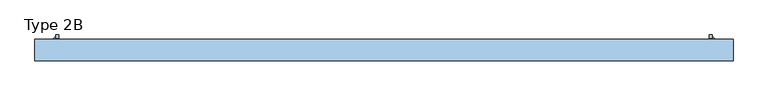
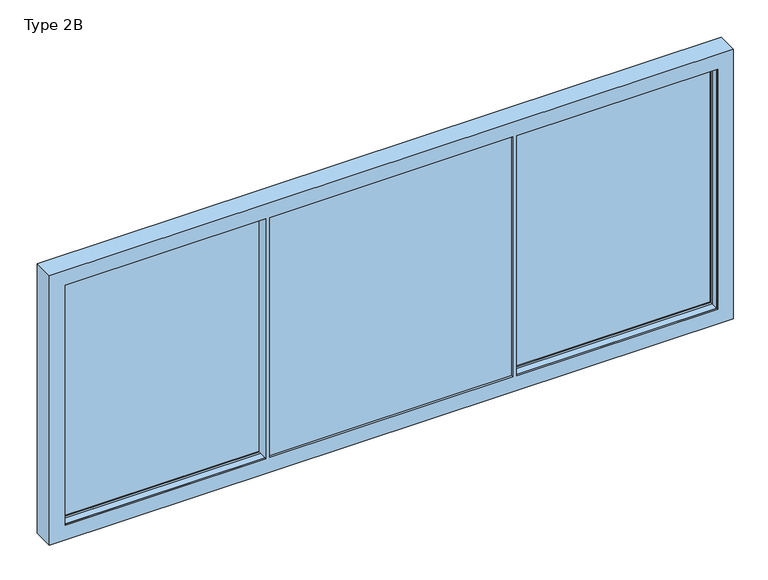
"""IFC4 building model written with IfcOpenShell, lengths in millimetres: window geometry, Type 2B."""

from ifc_helpers import new_model, si_unit, frame, origin, place, context, project, spatial, polyline, outline, extrude, faceted_brep, source, transform, mapped, element, save


def type_2b_bc692007(model_context):
    return source(origin(), model_context, "Body", "SolidModel", [
        extrude(outline(polyline([(-3104.8444246, 93.0001997), (-3104.8444246, 87.0001997), (-3157.4226337, 87.0001997), (-3157.4226337, 93.0001997), (-3104.8444246, 93.0001997)])), frame((0.0, 0.0, 1287.5), z_axis=(0.0, 0.0, 1.0), x_axis=(1.0, 0.0, 0.0)), (0.0, 0.0, 1.0), 25.0),
        extrude(outline(polyline([(-3104.8444246, 93.0001997), (-3104.8444246, 87.0001997), (-3157.4226337, 87.0001997), (-3157.4226337, 93.0001997), (-3104.8444246, 93.0001997)])), frame((0.0, 0.0, 937.5), z_axis=(0.0, 0.0, 1.0), x_axis=(1.0, 0.0, 0.0)), (0.0, 0.0, 1.0), 25.0),
        extrude(outline(polyline([(-3093.5220941, 139.6778692), (-3093.5220941, 122.0001997), (-3075.8444246, 122.0001997), (-3104.8444246, 93.0001997), (-3140.1997637, 93.0001997), (-3093.5220941, 139.6778692)])), frame((0.0, 0.0, 1287.5), z_axis=(0.0, 0.0, 1.0), x_axis=(1.0, 0.0, 0.0)), (0.0, 0.0, 1.0), 25.0),
        extrude(outline(polyline([(-3093.5220941, 139.6778692), (-3093.5220941, 122.0001997), (-3075.8444246, 122.0001997), (-3104.8444246, 93.0001997), (-3140.1997637, 93.0001997), (-3093.5220941, 139.6778692)])), frame((0.0, 0.0, 937.5), z_axis=(0.0, 0.0, 1.0), x_axis=(1.0, 0.0, 0.0)), (0.0, 0.0, 1.0), 25.0),
        extrude(outline(polyline([(-3063.5220941, 122.0001997), (-3093.5220941, 122.0001997), (-3093.5220941, 152.0001997), (-3063.5220941, 152.0001997), (-3063.5220941, 122.0001997)])), frame((0.0, 0.0, 850.0), z_axis=(0.0, 0.0, 1.0), x_axis=(1.0, 0.0, 0.0)), (0.0, 0.0, 1.0), 550.0),
        faceted_brep([(-1186.6666667, 2.5, 0.0), (-1186.6666667, 21.5001997, 0.0), (-1166.8665937, 21.5001997, 0.0), (-1166.8665937, 2.5, 0.0), (-1166.8665937, 110.0, 0.0), (-1166.8665937, 98.5, 0.0), (-1201.6666667, 98.5, 0.0), (-1201.6666667, 110.0, 0.0), (-1186.6666667, 2.5, 2440.0), (-1166.8665937, 2.5, 2440.0), (-1166.8665937, 110.0, 2440.0), (-1166.8665937, 98.5, 2440.0), (-1166.8665937, 98.5, 2455.0), (-1166.8665937, 21.5001997, 2455.0), (-1166.8665937, 21.5001997, 2440.0), (-1166.8665937, 21.5001997, -15.0), (-1166.8665937, 98.5, -15.0), (-1201.6666667, 110.0, 2440.0), (-1201.6666667, 87.0001997, 0.0), (-1201.6666667, 87.0001997, 2440.0), (-1201.6666667, 98.5, 2440.0), (-3140.1997637, 98.5, 0.0), (-3169.9996907, 98.5, -15.0), (-3169.9996907, 98.5, 2455.0), (-3140.1997637, 98.5, 2440.0), (-1186.6666667, 21.5001997, 2440.0), (-3169.9996907, 21.5001997, 2455.0), (-3169.9996907, 21.5001997, -15.0), (-3140.1997637, 21.5001997, 2440.0), (-1201.6666667, 21.5001997, 2440.0), (-1201.6666667, 21.5001997, 0.0), (-3140.1997637, 21.5001997, 0.0), (-3150.9997637, 87.0001997, -10.8), (-1190.8666667, 87.0001997, -10.8), (-1190.8666667, 87.0001997, 2450.8), (-3150.9997637, 87.0001997, 2450.8), (-3140.1997637, 87.0001997, 2440.0), (-3140.1997637, 87.0001997, 0.0), (-3150.9997637, 33.0001997, 2450.8), (-3150.9997637, 33.0001997, -10.8), (-1190.8666667, 33.0001997, -10.8), (-1190.8666667, 33.0001997, 2450.8), (-3140.1997637, 33.0001997, 0.0), (-1201.6666667, 33.0001997, 0.0), (-1201.6666667, 33.0001997, 2440.0), (-3140.1997637, 33.0001997, 2440.0)], [[[0, 1, 2, 3]], [[4, 5, 6, 7]], [[8, 0, 3, 9]], [[10, 11, 12, 13, 14, 9, 3, 2, 15, 16, 5, 4]], [[10, 4, 7, 17]], [[17, 7, 6, 18, 19, 20]], [[21, 6, 5, 16, 22, 23, 12, 11, 20, 24]], [[8, 25, 1, 0]], [[25, 14, 13, 26, 27, 15, 2, 1], [28, 29, 30, 31]], [[32, 33, 34, 35], [36, 19, 18, 37]], [[37, 18, 6, 21]], [[36, 37, 21, 24]], [[38, 39, 32, 35]], [[39, 40, 33, 32]], [[38, 41, 40, 39], [42, 43, 44, 45]], [[28, 31, 42, 45]], [[31, 30, 43, 42]], [[22, 16, 15, 27]], [[40, 41, 34, 33]], [[30, 29, 44, 43]], [[23, 22, 27, 26]], [[9, 14, 25, 8]], [[11, 10, 17, 20]], [[24, 20, 19, 36]], [[35, 34, 41, 38]], [[45, 44, 29, 28]], [[13, 12, 23, 26]]]),
        extrude(outline(polyline([(-1190.8666667, 87.0001997), (-1190.8666667, 33.0001997), (-3150.9997637, 33.0001997), (-3150.9997637, 87.0001997), (-1190.8666667, 87.0001997)])), frame((0.0, 0.0, -10.8), z_axis=(0.0, 0.0, 1.0), x_axis=(1.0, 0.0, 0.0)), (0.0, 0.0, 1.0), 2461.6),
        extrude(outline(polyline([(3104.8444246, 93.0001997), (3157.4226337, 93.0001997), (3157.4226337, 87.0001997), (3104.8444246, 87.0001997), (3104.8444246, 93.0001997)])), frame((0.0, 0.0, 1287.5), z_axis=(0.0, 0.0, 1.0), x_axis=(1.0, 0.0, 0.0)), (0.0, 0.0, 1.0), 25.0),
        extrude(outline(polyline([(3104.8444246, 93.0001997), (3157.4226337, 93.0001997), (3157.4226337, 87.0001997), (3104.8444246, 87.0001997), (3104.8444246, 93.0001997)])), frame((0.0, 0.0, 937.5), z_axis=(0.0, 0.0, 1.0), x_axis=(1.0, 0.0, 0.0)), (0.0, 0.0, 1.0), 25.0),
        extrude(outline(polyline([(3093.5220941, 139.6778692), (3140.1997637, 93.0001997), (3104.8444246, 93.0001997), (3075.8444246, 122.0001997), (3093.5220941, 122.0001997), (3093.5220941, 139.6778692)])), frame((0.0, 0.0, 1287.5), z_axis=(0.0, 0.0, 1.0), x_axis=(1.0, 0.0, 0.0)), (0.0, 0.0, 1.0), 25.0),
        extrude(outline(polyline([(3093.5220941, 139.6778692), (3140.1997637, 93.0001997), (3104.8444246, 93.0001997), (3075.8444246, 122.0001997), (3093.5220941, 122.0001997), (3093.5220941, 139.6778692)])), frame((0.0, 0.0, 937.5), z_axis=(0.0, 0.0, 1.0), x_axis=(1.0, 0.0, 0.0)), (0.0, 0.0, 1.0), 25.0),
        extrude(outline(polyline([(3063.5220941, 122.0001997), (3063.5220941, 152.0001997), (3093.5220941, 152.0001997), (3093.5220941, 122.0001997), (3063.5220941, 122.0001997)])), frame((0.0, 0.0, 850.0), z_axis=(0.0, 0.0, 1.0), x_axis=(1.0, 0.0, 0.0)), (0.0, 0.0, 1.0), 550.0),
        faceted_brep([(1186.6666667, 2.5, 0.0), (1166.8665937, 2.5, 0.0), (1166.8665937, 21.5001997, 0.0), (1186.6666667, 21.5001997, 0.0), (1166.8665937, 110.0, 0.0), (1201.6666667, 110.0, 0.0), (1201.6666667, 98.5, 0.0), (1166.8665937, 98.5, 0.0), (1186.6666667, 2.5, 2440.0), (1166.8665937, 2.5, 2440.0), (1166.8665937, 110.0, 2440.0), (1166.8665937, 98.5, -15.0), (1166.8665937, 21.5001997, -15.0), (1166.8665937, 21.5001997, 2440.0), (1166.8665937, 21.5001997, 2455.0), (1166.8665937, 98.5, 2455.0), (1166.8665937, 98.5, 2440.0), (1201.6666667, 110.0, 2440.0), (1201.6666667, 98.5, 2440.0), (1201.6666667, 87.0001997, 2440.0), (1201.6666667, 87.0001997, 0.0), (3140.1997637, 98.5, 0.0), (3140.1997637, 98.5, 2440.0), (3169.9996907, 98.5, 2455.0), (3169.9996907, 98.5, -15.0), (1186.6666667, 21.5001997, 2440.0), (3169.9996907, 21.5001997, -15.0), (3169.9996907, 21.5001997, 2455.0), (3140.1997637, 21.5001997, 2440.0), (3140.1997637, 21.5001997, 0.0), (1201.6666667, 21.5001997, 0.0), (1201.6666667, 21.5001997, 2440.0), (3150.9997637, 87.0001997, -10.8), (3150.9997637, 87.0001997, 2450.8), (1190.8666667, 87.0001997, 2450.8), (1190.8666667, 87.0001997, -10.8), (3140.1997637, 87.0001997, 2440.0), (3140.1997637, 87.0001997, 0.0), (3150.9997637, 33.0001997, 2450.8), (3150.9997637, 33.0001997, -10.8), (1190.8666667, 33.0001997, -10.8), (1190.8666667, 33.0001997, 2450.8), (3140.1997637, 33.0001997, 0.0), (3140.1997637, 33.0001997, 2440.0), (1201.6666667, 33.0001997, 2440.0), (1201.6666667, 33.0001997, 0.0)], [[[0, 1, 2, 3]], [[4, 5, 6, 7]], [[8, 9, 1, 0]], [[10, 4, 7, 11, 12, 2, 1, 9, 13, 14, 15, 16]], [[10, 17, 5, 4]], [[17, 18, 19, 20, 6, 5]], [[21, 22, 18, 16, 15, 23, 24, 11, 7, 6]], [[8, 0, 3, 25]], [[25, 3, 2, 12, 26, 27, 14, 13], [28, 29, 30, 31]], [[32, 33, 34, 35], [36, 37, 20, 19]], [[37, 21, 6, 20]], [[36, 22, 21, 37]], [[38, 33, 32, 39]], [[39, 32, 35, 40]], [[38, 39, 40, 41], [42, 43, 44, 45]], [[28, 43, 42, 29]], [[29, 42, 45, 30]], [[24, 26, 12, 11]], [[40, 35, 34, 41]], [[30, 45, 44, 31]], [[23, 27, 26, 24]], [[9, 8, 25, 13]], [[16, 18, 17, 10]], [[22, 36, 19, 18]], [[33, 38, 41, 34]], [[43, 28, 31, 44]], [[14, 27, 23, 15]]]),
        extrude(outline(polyline([(1190.8666667, 87.0001997), (3150.9997637, 87.0001997), (3150.9997637, 33.0001997), (1190.8666667, 33.0001997), (1190.8666667, 87.0001997)])), frame((0.0, 0.0, -10.8), z_axis=(0.0, 0.0, 1.0), x_axis=(1.0, 0.0, 0.0)), (0.0, 0.0, 1.0), 2461.6),
        faceted_brep([(3140.0, 98.5, 2440.0), (3140.0, 110.0, 2440.0), (3140.0, 110.0, 0.0), (3140.0, 98.5, 0.0), (3290.0, 110.0, 2590.0), (3290.0, 110.0, -150.0), (-3290.0, 110.0, -150.0), (-3290.0, 110.0, 2590.0), (-3140.0, 110.0, 2440.0), (-3140.0, 110.0, 0.0), (-3140.0, 98.5, 0.0), (3203.5, 98.5, -63.5), (3203.5, 98.5, 2503.5), (-3203.5, 98.5, 2503.5), (-3203.5, 98.5, -63.5), (-3140.0, 98.5, 2440.0), (3203.5, 21.5, -63.5), (-3203.5, 21.5, -63.5), (3203.5, 21.5, 2503.5), (-3203.5, 21.5, 2503.5), (3140.0, 21.5, 0.0), (3140.0, 21.5, 2440.0), (-3140.0, 21.5, 2440.0), (-3140.0, 21.5, 0.0), (3140.0, -1.5, 0.0), (-3140.0, -1.5, 0.0), (-1206.6666667, -1.5, 0.0), (-1206.6666667, 17.9, 0.0), (-1186.6666667, 17.9, 0.0), (-1186.6666667, -1.5, 0.0), (-1171.6666667, -1.5, 0.0), (-1171.6666667, -13.0, 0.0), (1171.6666667, -13.0, 0.0), (1171.6666667, -1.5, 0.0), (1186.6666667, -1.5, 0.0), (1186.6666667, 17.9, 0.0), (1206.6666667, 17.9, 0.0), (1206.6666667, -1.5, 0.0), (3203.5, -1.5, -63.5), (3203.5, -1.5, 2503.5), (-3203.5, -1.5, 2503.5), (-3203.5, -1.5, -63.5), (3140.0, -1.5, 2440.0), (1206.6666667, -1.5, -35.0), (-1206.6666667, -1.5, -35.0), (-3140.0, -1.5, 2440.0), (-1206.6666667, -1.5, 2440.0), (-1206.6666667, -1.5, 2475.0), (1206.6666667, -1.5, 2475.0), (1206.6666667, -1.5, 2440.0), (3290.0, -90.0, 2590.0), (3290.0, -90.0, -150.0), (-3290.0, -90.0, 2590.0), (-3290.0, -90.0, -150.0), (3140.0, -90.0, 0.0), (1206.6666667, -90.0, 0.0), (1206.6666667, -90.0, 2440.0), (3140.0, -90.0, 2440.0), (-1171.6666667, -90.0, 2440.0), (1171.6666667, -90.0, 2440.0), (1171.6666667, -90.0, 0.0), (-1171.6666667, -90.0, 0.0), (-3140.0, -90.0, 0.0), (-3140.0, -90.0, 2440.0), (-1206.6666667, -90.0, 2440.0), (-1206.6666667, -90.0, 0.0), (1171.6666667, -67.0, 0.0), (-1171.6666667, -67.0, 0.0), (-3140.0, -78.5, 0.0), (-1206.6666667, -78.5, 0.0), (3140.0, -78.5, 0.0), (1206.6666667, -78.5, 0.0), (3140.0, -78.5, 2440.0), (3203.5, -78.5, 2503.5), (3203.5, -78.5, -63.5), (-3203.5, -78.5, -63.5), (-3203.5, -78.5, 2503.5), (1206.6666667, -78.5, 2440.0), (1206.6666667, -78.5, 2475.0), (-1206.6666667, -78.5, 2475.0), (-1206.6666667, -78.5, 2440.0), (-3140.0, -78.5, 2440.0), (-1206.6666667, -78.5, -35.0), (1206.6666667, -78.5, -35.0), (1206.6666667, 17.9, 2440.0), (1186.6666667, 17.9, 2440.0), (1186.6666667, -1.5, 2440.0), (1171.6666667, -1.5, 2440.0), (1171.6666667, -13.0, 2440.0), (-1171.6666667, -13.0, 2440.0), (-1171.6666667, -1.5, 2440.0), (-1186.6666667, -1.5, 2440.0), (-1186.6666667, 17.9, 2440.0), (-1206.6666667, 17.9, 2440.0), (-1171.6666667, -67.0, 2440.0), (1171.6666667, -67.0, 2440.0), (1182.4666667, -13.0, -10.8), (1182.4666667, -13.0, 2450.8), (-1182.4666667, -13.0, 2450.8), (-1182.4666667, -13.0, -10.8), (1182.4666667, -67.0, 2450.8), (1182.4666667, -67.0, -10.8), (-1182.4666667, -67.0, -10.8), (-1182.4666667, -67.0, 2450.8)], [[[0, 1, 2, 3]], [[4, 5, 6, 7], [2, 1, 8, 9]], [[3, 2, 9, 10]], [[11, 12, 13, 14], [0, 3, 10, 15]], [[16, 11, 14, 17]], [[18, 16, 17, 19], [20, 21, 22, 23]], [[24, 20, 23, 25, 26, 27, 28, 29, 30, 31, 32, 33, 34, 35, 36, 37]], [[38, 39, 40, 41], [42, 24, 37, 43, 44, 26, 25, 45, 46, 47, 48, 49]], [[4, 50, 51, 5]], [[51, 50, 52, 53], [54, 55, 56, 57], [58, 59, 60, 61], [62, 63, 64, 65]], [[5, 51, 53, 6]], [[10, 9, 8, 15]], [[6, 53, 52, 7]], [[61, 60, 66, 67]], [[68, 62, 65, 69]], [[54, 70, 71, 55]], [[25, 23, 22, 45]], [[54, 57, 72, 70]], [[73, 74, 75, 76], [70, 72, 77, 78, 79, 80, 81, 68, 69, 82, 83, 71]], [[74, 38, 41, 75]], [[18, 12, 11, 16]], [[73, 39, 38, 74]], [[17, 14, 13, 19]], [[75, 41, 40, 76]], [[1, 0, 15, 8]], [[21, 42, 49, 84, 85, 86, 87, 88, 89, 90, 91, 92, 93, 46, 45, 22]], [[12, 18, 19, 13]], [[50, 4, 7, 52]], [[59, 58, 94, 95]], [[72, 57, 56, 77]], [[63, 81, 80, 64]], [[39, 73, 76, 40]], [[63, 62, 68, 81]], [[61, 67, 94, 58]], [[42, 21, 20, 24]], [[96, 97, 98, 99], [32, 31, 89, 88]], [[90, 30, 29, 91]], [[33, 87, 86, 34]], [[89, 31, 30, 90]], [[100, 101, 102, 103], [66, 95, 94, 67]], [[34, 86, 85, 35]], [[100, 97, 96, 101]], [[101, 96, 99, 102]], [[102, 99, 98, 103]], [[97, 100, 103, 98]], [[65, 64, 80, 79, 47, 46, 93, 27, 26, 44, 82, 69]], [[56, 55, 71, 83, 43, 37, 36, 84, 49, 48, 78, 77]], [[59, 95, 66, 60]], [[35, 85, 84, 36]], [[92, 28, 27, 93]], [[91, 29, 28, 92]], [[32, 88, 87, 33]], [[43, 83, 82, 44]], [[47, 79, 78, 48]]]),
        extrude(outline(polyline([(2455.0103828, 1186.6666667), (2440.0103828, 1186.6666667), (2440.0103828, 3140.0), (-0.0103828, 3140.0), (-0.0103828, 1186.6666667), (-15.0103828, 1186.6666667), (-15.0103828, 3155.0), (2455.0103828, 3155.0), (2455.0103828, 1186.6666667)])), frame((0.0, -78.5, 0.0), z_axis=(0.0, 1.0, 0.0), x_axis=(0.0, 0.0, 1.0)), (0.0, 0.0, 1.0), 77.0),
        extrude(outline(polyline([(2440.0103828, -1186.6666667), (2455.0103828, -1186.6666667), (2455.0103828, -3155.0), (-15.0103828, -3155.0), (-15.0103828, -1186.6666667), (-0.0103828, -1186.6666667), (-0.0103828, -3140.0), (2440.0103828, -3140.0), (2440.0103828, -1186.6666667)])), frame((0.0, -78.5, 0.0), z_axis=(0.0, 1.0, 0.0), x_axis=(0.0, 0.0, 1.0)), (0.0, 0.0, 1.0), 77.0),
        extrude(outline(polyline([(-1182.4666667, -13.0), (1182.4666667, -13.0), (1182.4666667, -67.0), (-1182.4666667, -67.0), (-1182.4666667, -13.0)])), frame((0.0, 0.0, -10.8), z_axis=(0.0, 0.0, 1.0), x_axis=(1.0, 0.0, 0.0)), (0.0, 0.0, 1.0), 2461.6),
        extrude(outline(polyline([(21.5, -63.5), (21.5, -28.0), (50.0099329, -28.0), (60.0, -32.6584448), (69.9900671, -28.0), (98.5, -28.0), (98.5, -63.5), (21.5, -63.5)])), frame((-3155.0, 0.0, 0.0), z_axis=(1.0, 0.0, 0.0), x_axis=(0.0, 1.0, 0.0)), (0.0, 0.0, 1.0), 6310.0),
        extrude(outline(polyline([(-3155.0, 52.3501997), (-3155.0, 67.6501997), (3155.0, 67.6501997), (3155.0, 52.3501997), (-3155.0, 52.3501997)])), frame((0.0, 0.0, 2476.5103828), z_axis=(0.0, 0.0, 1.0), x_axis=(1.0, 0.0, 0.0)), (0.0, 0.0, 1.0), 26.9896172),
    ])


if __name__ == "__main__":
    model = new_model("IFC4")
    model_context = context("Model", 3, world=origin())
    ifc_project = project(units=[si_unit("LENGTHUNIT", "METRE", prefix="MILLI")], contexts=[model_context])
    site = spatial("IfcSite", under=ifc_project)
    building = spatial("IfcBuilding", under=site)
    placement = place(None, origin())
    type_2b_shape = type_2b_bc692007(model_context)
    element("IfcWindow", 1, ObjectType="Type 2B", at=placement, inside=building, context=model_context, shape_type="MappedRepresentation", body=[
        mapped(type_2b_shape, transform((0.0, 0.0, 0.0), x_axis=(1.0, 0.0, 0.0), y_axis=(0.0, 1.0, 0.0), z_axis=(0.0, 0.0, 1.0))),
    ])
    save(model, "model.ifc")
